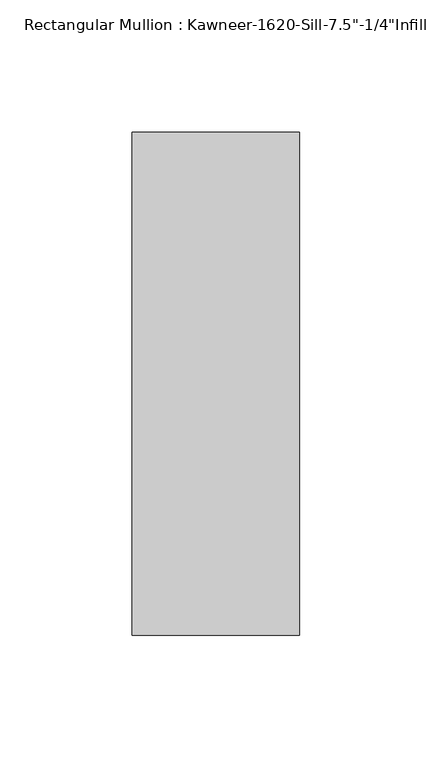
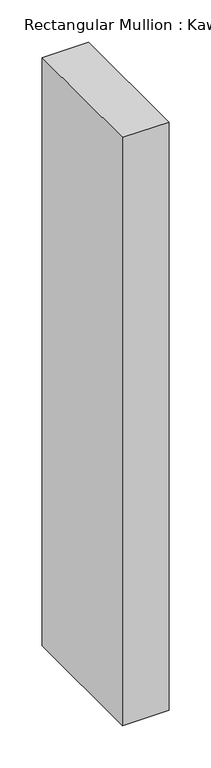
"""IFC4 building model written with IfcOpenShell, lengths in millimetres: member geometry."""

from ifc_helpers import new_model, si_unit, frame, origin, place, context, project, spatial, polyline, outline, extrude, source, transform, mapped, element, save


def member_06b0ea33(model_context):
    return source(origin(), model_context, "Body", "SweptSolid", [
        extrude(outline(polyline([(-63.5, 28.575), (0.0, 28.575), (0.0, -161.925), (-63.5, -161.925), (-63.5, 28.575)])), frame((0.0, 0.0, -850.9), z_axis=(0.0, 0.0, 1.0), x_axis=(1.0, 0.0, 0.0)), (0.0, 0.0, 1.0), 850.9),
    ])


if __name__ == "__main__":
    model = new_model("IFC4")
    model_context = context("Model", 3, world=origin())
    ifc_project = project(units=[si_unit("LENGTHUNIT", "METRE", prefix="MILLI")], contexts=[model_context])
    site = spatial("IfcSite", under=ifc_project)
    building = spatial("IfcBuilding", under=site)
    placement = place(None, origin())
    member_shape = member_06b0ea33(model_context)
    element("IfcMember", 1, ObjectType="Rectangular Mullion : Kawneer-1620-Sill-7.5\"-1/4\"Infill", at=placement, inside=building, context=model_context, shape_type="MappedRepresentation", body=[
        mapped(member_shape, transform((0.0, 0.0, 0.0), x_axis=(1.0, 0.0, 0.0), y_axis=(0.0, 1.0, 0.0), z_axis=(0.0, 0.0, 1.0))),
    ])
    save(model, "model.ifc")
